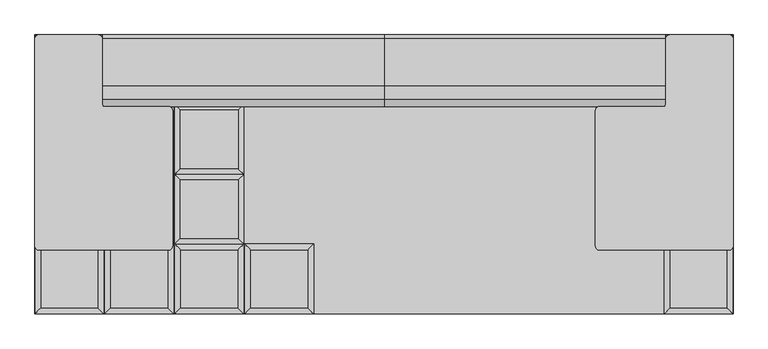
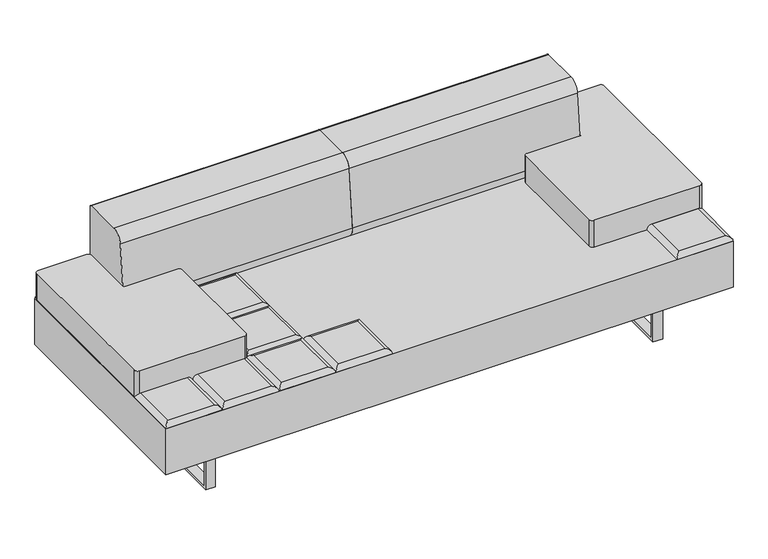
"""IFC4 building model written with IfcOpenShell, lengths in millimetres: furniture geometry."""

from ifc_helpers import new_model, si_unit, point, frame, frame_2d, origin, place, context, project, spatial, polyline, circle_curve, ellipse_curve, trimmed, segment, composite_curve, outline, extrude, source, transform, mapped, element, save
from ifc_brep_helpers import plane_surface, cylinder_surface, advanced_brep


def furniture_55e640db(model_context):
    return source(origin(), model_context, "Body", "SolidModel", [
        advanced_brep(
        [(-223.9433333, -222.25, 393.7), (-241.9038456, -240.2105122, 411.6605122), (-241.9038456, -426.5394878, 411.6605122), (-223.9433333, -444.5, 393.7), (-425.6928211, -426.5394878, 411.6605122), (-443.6533333, -444.5, 393.7), (-425.6928211, -240.2105122, 411.6605122), (-443.6533333, -222.25, 393.7)],
        [
            (0, 1, ellipse_curve(frame((-241.9038456, -240.2105122, 393.7), z_axis=(0.7071067811865475, -0.7071067811865475, 0.0), x_axis=(0.7071067811865474, 0.7071067811865476, 0.0)), 25.4, 17.9605122)),
            (1, 2),
            (2, 3, ellipse_curve(frame((-241.9038456, -426.5394878, 393.7), z_axis=(0.7071067811865475, 0.7071067811865475, 0.0), x_axis=(-0.7071067811865474, 0.7071067811865476, 0.0)), 25.4, 17.9605122)),
            (3, 0),
            (2, 4),
            (4, 5, ellipse_curve(frame((-425.6928211, -426.5394878, 393.7), z_axis=(0.7071067811865475, -0.7071067811865475, 0.0), x_axis=(0.7071067811865476, 0.7071067811865474, 0.0)), 25.4, 17.9605122)),
            (5, 3),
            (4, 6),
            (6, 7, ellipse_curve(frame((-425.6928211, -240.2105122, 393.7), z_axis=(-0.7071067811865475, -0.7071067811865475, 0.0), x_axis=(0.7071067811865474, -0.7071067811865476, 0.0)), 25.4, 17.9605122)),
            (7, 5),
            (0, 7),
            (6, 1),
        ],
        [
            cylinder_surface(frame((-241.9038456, -222.25, 393.7), z_axis=(0.0, 1.0, 0.0), x_axis=(1.0, 0.0, 0.0)), 17.9605122),
            cylinder_surface(frame((-223.9433333, -426.5394878, 393.7), z_axis=(1.0, 0.0, 0.0), x_axis=(0.0, -1.0, 0.0)), 17.9605122),
            cylinder_surface(frame((-425.6928211, -444.5, 393.7), z_axis=(0.0, -1.0, 0.0), x_axis=(-1.0, 0.0, 0.0)), 17.9605122),
            cylinder_surface(frame((-443.6533333, -240.2105122, 393.7), z_axis=(-1.0, 0.0, 0.0), x_axis=(0.0, 1.0, 0.0)), 17.9605122),
            plane_surface(frame((-443.6533333, -222.25, 393.7), z_axis=(0.0, 0.0, -1.0), x_axis=(1.0, 0.0, 0.0))),
            plane_surface(frame((-425.6928211, -240.2105122, 411.6605122), z_axis=(0.0, 0.0, 1.0), x_axis=(-1.0, 0.0, 0.0))),
        ],
        [
            (0, [[1, 2, 3, 4]]),
            (1, [[-3, 5, 6, 7]]),
            (2, [[-6, 8, 9, 10]]),
            (3, [[-1, 11, -9, 12]]),
            (4, [[-4, -7, -10, -11]]),
            (5, [[-2, -12, -8, -5]]),
        ],
    ),
        advanced_brep(
        [(-464.4360678, -204.2894878, 411.6605122), (-464.4360678, -17.9605122, 411.6605122), (-648.2250433, -17.9605122, 411.6605122), (-648.2250433, -204.2894878, 411.6605122), (-446.4755556, 0.0, 393.7), (-446.4755556, -222.25, 393.7), (-666.1855556, -222.25, 393.7), (-666.1855556, 0.0, 393.7)],
        [
            (0, 1),
            (1, 2),
            (2, 3),
            (3, 0),
            (4, 5),
            (5, 6),
            (6, 7),
            (7, 4),
            (4, 1, ellipse_curve(frame((-464.4360678, -17.9605122, 393.7), z_axis=(0.7071067811865475, -0.7071067811865475, 0.0), x_axis=(0.7071067811865474, 0.7071067811865476, 0.0)), 25.4, 17.9605122)),
            (0, 5, ellipse_curve(frame((-464.4360678, -204.2894878, 393.7), z_axis=(0.7071067811865475, 0.7071067811865475, 0.0), x_axis=(-0.7071067811865474, 0.7071067811865476, 0.0)), 25.4, 17.9605122)),
            (3, 6, ellipse_curve(frame((-648.2250433, -204.2894878, 393.7), z_axis=(0.7071067811865475, -0.7071067811865475, 0.0), x_axis=(0.7071067811865476, 0.7071067811865474, 0.0)), 25.4, 17.9605122)),
            (2, 7, ellipse_curve(frame((-648.2250433, -17.9605122, 393.7), z_axis=(-0.7071067811865475, -0.7071067811865475, 0.0), x_axis=(0.7071067811865474, -0.7071067811865476, 0.0)), 25.4, 17.9605122)),
        ],
        [
            plane_surface(frame((-648.2250433, -17.9605122, 411.6605122), z_axis=(0.0, 0.0, 1.0), x_axis=(-1.0, 0.0, 0.0))),
            plane_surface(frame((-648.2250433, -17.9605122, 393.7), z_axis=(0.0, 0.0, -1.0), x_axis=(1.0, 0.0, 0.0))),
            cylinder_surface(frame((-464.4360678, 0.0, 393.7), z_axis=(0.0, 1.0, 0.0), x_axis=(1.0, 0.0, 0.0)), 17.9605122),
            cylinder_surface(frame((-446.4755556, -204.2894878, 393.7), z_axis=(1.0, 0.0, 0.0), x_axis=(0.0, -1.0, 0.0)), 17.9605122),
            cylinder_surface(frame((-648.2250433, -222.25, 393.7), z_axis=(0.0, -1.0, 0.0), x_axis=(-1.0, 0.0, 0.0)), 17.9605122),
            cylinder_surface(frame((-666.1855556, -17.9605122, 393.7), z_axis=(-1.0, 0.0, 0.0), x_axis=(0.0, 1.0, 0.0)), 17.9605122),
        ],
        [
            (0, [[1, 2, 3, 4]]),
            (1, [[5, 6, 7, 8]]),
            (2, [[9, -1, 10, -5]]),
            (3, [[-10, -4, 11, -6]]),
            (4, [[-11, -3, 12, -7]]),
            (5, [[-9, -8, -12, -2]]),
        ],
    ),
        advanced_brep(
        [(-464.4360678, 17.9605122, 411.6605122), (-464.4360678, 204.2894878, 411.6605122), (-648.2250433, 204.2894878, 411.6605122), (-648.2250433, 17.9605122, 411.6605122), (-446.4755556, 222.25, 393.7), (-446.4755556, 0.0, 393.7), (-666.1855556, 0.0, 393.7), (-666.1855556, 222.25, 393.7)],
        [
            (0, 1),
            (1, 2),
            (2, 3),
            (3, 0),
            (4, 5),
            (5, 6),
            (6, 7),
            (7, 4),
            (4, 1, ellipse_curve(frame((-464.4360678, 204.2894878, 393.7), z_axis=(0.7071067811865475, -0.7071067811865475, 0.0), x_axis=(0.7071067811865474, 0.7071067811865476, 0.0)), 25.4, 17.9605122)),
            (0, 5, ellipse_curve(frame((-464.4360678, 17.9605122, 393.7), z_axis=(0.7071067811865475, 0.7071067811865475, 0.0), x_axis=(-0.7071067811865474, 0.7071067811865476, 0.0)), 25.4, 17.9605122)),
            (3, 6, ellipse_curve(frame((-648.2250433, 17.9605122, 393.7), z_axis=(0.7071067811865475, -0.7071067811865475, 0.0), x_axis=(0.7071067811865476, 0.7071067811865474, 0.0)), 25.4, 17.9605122)),
            (2, 7, ellipse_curve(frame((-648.2250433, 204.2894878, 393.7), z_axis=(-0.7071067811865475, -0.7071067811865475, 0.0), x_axis=(0.7071067811865474, -0.7071067811865476, 0.0)), 25.4, 17.9605122)),
        ],
        [
            plane_surface(frame((-648.2250433, 204.2894878, 411.6605122), z_axis=(0.0, 0.0, 1.0), x_axis=(-1.0, 0.0, 0.0))),
            plane_surface(frame((-648.2250433, 204.2894878, 393.7), z_axis=(0.0, 0.0, -1.0), x_axis=(1.0, 0.0, 0.0))),
            cylinder_surface(frame((-464.4360678, 222.25, 393.7), z_axis=(0.0, 1.0, 0.0), x_axis=(1.0, 0.0, 0.0)), 17.9605122),
            cylinder_surface(frame((-446.4755556, 17.9605122, 393.7), z_axis=(1.0, 0.0, 0.0), x_axis=(0.0, -1.0, 0.0)), 17.9605122),
            cylinder_surface(frame((-648.2250433, 0.0, 393.7), z_axis=(0.0, -1.0, 0.0), x_axis=(-1.0, 0.0, 0.0)), 17.9605122),
            cylinder_surface(frame((-666.1855556, 204.2894878, 393.7), z_axis=(-1.0, 0.0, 0.0), x_axis=(0.0, 1.0, 0.0)), 17.9605122),
        ],
        [
            (0, [[1, 2, 3, 4]]),
            (1, [[5, 6, 7, 8]]),
            (2, [[9, -1, 10, -5]]),
            (3, [[-10, -4, 11, -6]]),
            (4, [[-11, -3, 12, -7]]),
            (5, [[-9, -8, -12, -2]]),
        ],
    ),
        advanced_brep(
        [(-464.4360678, 240.2105122, 411.6605122), (-464.4360678, 426.5394878, 411.6605122), (-648.2250433, 426.5394878, 411.6605122), (-648.2250433, 240.2105122, 411.6605122), (-446.4755556, 444.5, 393.7), (-446.4755556, 222.25, 393.7), (-666.1855556, 222.25, 393.7), (-666.1855556, 444.5, 393.7)],
        [
            (0, 1),
            (1, 2),
            (2, 3),
            (3, 0),
            (4, 5),
            (5, 6),
            (6, 7),
            (7, 4),
            (4, 1, ellipse_curve(frame((-464.4360678, 426.5394878, 393.7), z_axis=(0.7071067811865475, -0.7071067811865475, 0.0), x_axis=(0.7071067811865474, 0.7071067811865476, 0.0)), 25.4, 17.9605122)),
            (0, 5, ellipse_curve(frame((-464.4360678, 240.2105122, 393.7), z_axis=(0.7071067811865475, 0.7071067811865475, 0.0), x_axis=(-0.7071067811865474, 0.7071067811865476, 0.0)), 25.4, 17.9605122)),
            (3, 6, ellipse_curve(frame((-648.2250433, 240.2105122, 393.7), z_axis=(0.7071067811865475, -0.7071067811865475, 0.0), x_axis=(0.7071067811865476, 0.7071067811865474, 0.0)), 25.4, 17.9605122)),
            (2, 7, ellipse_curve(frame((-648.2250433, 426.5394878, 393.7), z_axis=(-0.7071067811865475, -0.7071067811865475, 0.0), x_axis=(0.7071067811865474, -0.7071067811865476, 0.0)), 25.4, 17.9605122)),
        ],
        [
            plane_surface(frame((-648.2250433, 426.5394878, 411.6605122), z_axis=(0.0, 0.0, 1.0), x_axis=(-1.0, 0.0, 0.0))),
            plane_surface(frame((-648.2250433, 426.5394878, 393.7), z_axis=(0.0, 0.0, -1.0), x_axis=(1.0, 0.0, 0.0))),
            cylinder_surface(frame((-464.4360678, 444.5, 393.7), z_axis=(0.0, 1.0, 0.0), x_axis=(1.0, 0.0, 0.0)), 17.9605122),
            cylinder_surface(frame((-446.4755556, 240.2105122, 393.7), z_axis=(1.0, 0.0, 0.0), x_axis=(0.0, -1.0, 0.0)), 17.9605122),
            cylinder_surface(frame((-648.2250433, 222.25, 393.7), z_axis=(0.0, -1.0, 0.0), x_axis=(-1.0, 0.0, 0.0)), 17.9605122),
            cylinder_surface(frame((-666.1855556, 426.5394878, 393.7), z_axis=(-1.0, 0.0, 0.0), x_axis=(0.0, 1.0, 0.0)), 17.9605122),
        ],
        [
            (0, [[1, 2, 3, 4]]),
            (1, [[5, 6, 7, 8]]),
            (2, [[9, -1, 10, -5]]),
            (3, [[-10, -4, 11, -6]]),
            (4, [[-11, -3, 12, -7]]),
            (5, [[-9, -8, -12, -2]]),
        ],
    ),
        advanced_brep(
        [(-446.4755556, -222.25, 393.7), (-464.4360678, -240.2105122, 411.6605122), (-464.4360678, -426.5394878, 411.6605122), (-446.4755556, -444.5, 393.7), (-648.2250433, -426.5394878, 411.6605122), (-666.1855556, -444.5, 393.7), (-648.2250433, -240.2105122, 411.6605122), (-666.1855556, -222.25, 393.7)],
        [
            (0, 1, ellipse_curve(frame((-464.4360678, -240.2105122, 393.7), z_axis=(0.7071067811865475, -0.7071067811865475, 0.0), x_axis=(0.7071067811865474, 0.7071067811865476, 0.0)), 25.4, 17.9605122)),
            (1, 2),
            (2, 3, ellipse_curve(frame((-464.4360678, -426.5394878, 393.7), z_axis=(0.7071067811865475, 0.7071067811865475, 0.0), x_axis=(-0.7071067811865474, 0.7071067811865476, 0.0)), 25.4, 17.9605122)),
            (3, 0),
            (2, 4),
            (4, 5, ellipse_curve(frame((-648.2250433, -426.5394878, 393.7), z_axis=(0.7071067811865475, -0.7071067811865475, 0.0), x_axis=(0.7071067811865476, 0.7071067811865474, 0.0)), 25.4, 17.9605122)),
            (5, 3),
            (4, 6),
            (6, 7, ellipse_curve(frame((-648.2250433, -240.2105122, 393.7), z_axis=(-0.7071067811865475, -0.7071067811865475, 0.0), x_axis=(0.7071067811865474, -0.7071067811865476, 0.0)), 25.4, 17.9605122)),
            (7, 5),
            (0, 7),
            (6, 1),
        ],
        [
            cylinder_surface(frame((-464.4360678, -222.25, 393.7), z_axis=(0.0, 1.0, 0.0), x_axis=(1.0, 0.0, 0.0)), 17.9605122),
            cylinder_surface(frame((-446.4755556, -426.5394878, 393.7), z_axis=(1.0, 0.0, 0.0), x_axis=(0.0, -1.0, 0.0)), 17.9605122),
            cylinder_surface(frame((-648.2250433, -444.5, 393.7), z_axis=(0.0, -1.0, 0.0), x_axis=(-1.0, 0.0, 0.0)), 17.9605122),
            cylinder_surface(frame((-666.1855556, -240.2105122, 393.7), z_axis=(-1.0, 0.0, 0.0), x_axis=(0.0, 1.0, 0.0)), 17.9605122),
            plane_surface(frame((-666.1855556, -222.25, 393.7), z_axis=(0.0, 0.0, -1.0), x_axis=(1.0, 0.0, 0.0))),
            plane_surface(frame((-648.2250433, -240.2105122, 411.6605122), z_axis=(0.0, 0.0, 1.0), x_axis=(-1.0, 0.0, 0.0))),
        ],
        [
            (0, [[1, 2, 3, 4]]),
            (1, [[-3, 5, 6, 7]]),
            (2, [[-6, 8, 9, 10]]),
            (3, [[-1, 11, -9, 12]]),
            (4, [[-4, -7, -10, -11]]),
            (5, [[-2, -12, -8, -5]]),
        ],
    ),
        advanced_brep(
        [(-686.96829, -204.2894878, 411.6605122), (-686.96829, -17.9605122, 411.6605122), (-870.7572655, -17.9605122, 411.6605122), (-870.7572655, -204.2894878, 411.6605122), (-669.0077778, 0.0, 393.7), (-669.0077778, -222.25, 393.7), (-888.7177778, -222.25, 393.7), (-888.7177778, 0.0, 393.7)],
        [
            (0, 1),
            (1, 2),
            (2, 3),
            (3, 0),
            (4, 5),
            (5, 6),
            (6, 7),
            (7, 4),
            (4, 1, ellipse_curve(frame((-686.96829, -17.9605122, 393.7), z_axis=(0.7071067811865475, -0.7071067811865475, 0.0), x_axis=(0.7071067811865474, 0.7071067811865476, 0.0)), 25.4, 17.9605122)),
            (0, 5, ellipse_curve(frame((-686.96829, -204.2894878, 393.7), z_axis=(0.7071067811865475, 0.7071067811865475, 0.0), x_axis=(-0.7071067811865474, 0.7071067811865476, 0.0)), 25.4, 17.9605122)),
            (3, 6, ellipse_curve(frame((-870.7572655, -204.2894878, 393.7), z_axis=(0.7071067811865475, -0.7071067811865475, 0.0), x_axis=(0.7071067811865476, 0.7071067811865474, 0.0)), 25.4, 17.9605122)),
            (2, 7, ellipse_curve(frame((-870.7572655, -17.9605122, 393.7), z_axis=(-0.7071067811865475, -0.7071067811865475, 0.0), x_axis=(0.7071067811865474, -0.7071067811865476, 0.0)), 25.4, 17.9605122)),
        ],
        [
            plane_surface(frame((-870.7572655, -17.9605122, 411.6605122), z_axis=(0.0, 0.0, 1.0), x_axis=(-1.0, 0.0, 0.0))),
            plane_surface(frame((-870.7572655, -17.9605122, 393.7), z_axis=(0.0, 0.0, -1.0), x_axis=(1.0, 0.0, 0.0))),
            cylinder_surface(frame((-686.96829, 0.0, 393.7), z_axis=(0.0, 1.0, 0.0), x_axis=(1.0, 0.0, 0.0)), 17.9605122),
            cylinder_surface(frame((-669.0077778, -204.2894878, 393.7), z_axis=(1.0, 0.0, 0.0), x_axis=(0.0, -1.0, 0.0)), 17.9605122),
            cylinder_surface(frame((-870.7572655, -222.25, 393.7), z_axis=(0.0, -1.0, 0.0), x_axis=(-1.0, 0.0, 0.0)), 17.9605122),
            cylinder_surface(frame((-888.7177778, -17.9605122, 393.7), z_axis=(-1.0, 0.0, 0.0), x_axis=(0.0, 1.0, 0.0)), 17.9605122),
        ],
        [
            (0, [[1, 2, 3, 4]]),
            (1, [[5, 6, 7, 8]]),
            (2, [[9, -1, 10, -5]]),
            (3, [[-10, -4, 11, -6]]),
            (4, [[-11, -3, 12, -7]]),
            (5, [[-9, -8, -12, -2]]),
        ],
    ),
        advanced_brep(
        [(-686.96829, 17.9605122, 411.6605122), (-686.96829, 204.2894878, 411.6605122), (-870.7572655, 204.2894878, 411.6605122), (-870.7572655, 17.9605122, 411.6605122), (-669.0077778, 222.25, 393.7), (-669.0077778, 0.0, 393.7), (-888.7177778, 0.0, 393.7), (-888.7177778, 222.25, 393.7)],
        [
            (0, 1),
            (1, 2),
            (2, 3),
            (3, 0),
            (4, 5),
            (5, 6),
            (6, 7),
            (7, 4),
            (4, 1, ellipse_curve(frame((-686.96829, 204.2894878, 393.7), z_axis=(0.7071067811865475, -0.7071067811865475, 0.0), x_axis=(0.7071067811865474, 0.7071067811865476, 0.0)), 25.4, 17.9605122)),
            (0, 5, ellipse_curve(frame((-686.96829, 17.9605122, 393.7), z_axis=(0.7071067811865475, 0.7071067811865475, 0.0), x_axis=(-0.7071067811865474, 0.7071067811865476, 0.0)), 25.4, 17.9605122)),
            (3, 6, ellipse_curve(frame((-870.7572655, 17.9605122, 393.7), z_axis=(0.7071067811865475, -0.7071067811865475, 0.0), x_axis=(0.7071067811865476, 0.7071067811865474, 0.0)), 25.4, 17.9605122)),
            (2, 7, ellipse_curve(frame((-870.7572655, 204.2894878, 393.7), z_axis=(-0.7071067811865475, -0.7071067811865475, 0.0), x_axis=(0.7071067811865474, -0.7071067811865476, 0.0)), 25.4, 17.9605122)),
        ],
        [
            plane_surface(frame((-870.7572655, 204.2894878, 411.6605122), z_axis=(0.0, 0.0, 1.0), x_axis=(-1.0, 0.0, 0.0))),
            plane_surface(frame((-870.7572655, 204.2894878, 393.7), z_axis=(0.0, 0.0, -1.0), x_axis=(1.0, 0.0, 0.0))),
            cylinder_surface(frame((-686.96829, 222.25, 393.7), z_axis=(0.0, 1.0, 0.0), x_axis=(1.0, 0.0, 0.0)), 17.9605122),
            cylinder_surface(frame((-669.0077778, 17.9605122, 393.7), z_axis=(1.0, 0.0, 0.0), x_axis=(0.0, -1.0, 0.0)), 17.9605122),
            cylinder_surface(frame((-870.7572655, 0.0, 393.7), z_axis=(0.0, -1.0, 0.0), x_axis=(-1.0, 0.0, 0.0)), 17.9605122),
            cylinder_surface(frame((-888.7177778, 204.2894878, 393.7), z_axis=(-1.0, 0.0, 0.0), x_axis=(0.0, 1.0, 0.0)), 17.9605122),
        ],
        [
            (0, [[1, 2, 3, 4]]),
            (1, [[5, 6, 7, 8]]),
            (2, [[9, -1, 10, -5]]),
            (3, [[-10, -4, 11, -6]]),
            (4, [[-11, -3, 12, -7]]),
            (5, [[-9, -8, -12, -2]]),
        ],
    ),
        advanced_brep(
        [(-686.96829, 240.2105122, 411.6605122), (-686.96829, 426.5394878, 411.6605122), (-870.7572655, 426.5394878, 411.6605122), (-870.7572655, 240.2105122, 411.6605122), (-669.0077778, 444.5, 393.7), (-669.0077778, 222.25, 393.7), (-888.7177778, 222.25, 393.7), (-888.7177778, 444.5, 393.7)],
        [
            (0, 1),
            (1, 2),
            (2, 3),
            (3, 0),
            (4, 5),
            (5, 6),
            (6, 7),
            (7, 4),
            (4, 1, ellipse_curve(frame((-686.96829, 426.5394878, 393.7), z_axis=(0.7071067811865475, -0.7071067811865475, 0.0), x_axis=(0.7071067811865474, 0.7071067811865476, 0.0)), 25.4, 17.9605122)),
            (0, 5, ellipse_curve(frame((-686.96829, 240.2105122, 393.7), z_axis=(0.7071067811865475, 0.7071067811865475, 0.0), x_axis=(-0.7071067811865474, 0.7071067811865476, 0.0)), 25.4, 17.9605122)),
            (3, 6, ellipse_curve(frame((-870.7572655, 240.2105122, 393.7), z_axis=(0.7071067811865475, -0.7071067811865475, 0.0), x_axis=(0.7071067811865476, 0.7071067811865474, 0.0)), 25.4, 17.9605122)),
            (2, 7, ellipse_curve(frame((-870.7572655, 426.5394878, 393.7), z_axis=(-0.7071067811865475, -0.7071067811865475, 0.0), x_axis=(0.7071067811865474, -0.7071067811865476, 0.0)), 25.4, 17.9605122)),
        ],
        [
            plane_surface(frame((-870.7572655, 426.5394878, 411.6605122), z_axis=(0.0, 0.0, 1.0), x_axis=(-1.0, 0.0, 0.0))),
            plane_surface(frame((-870.7572655, 426.5394878, 393.7), z_axis=(0.0, 0.0, -1.0), x_axis=(1.0, 0.0, 0.0))),
            cylinder_surface(frame((-686.96829, 444.5, 393.7), z_axis=(0.0, 1.0, 0.0), x_axis=(1.0, 0.0, 0.0)), 17.9605122),
            cylinder_surface(frame((-669.0077778, 240.2105122, 393.7), z_axis=(1.0, 0.0, 0.0), x_axis=(0.0, -1.0, 0.0)), 17.9605122),
            cylinder_surface(frame((-870.7572655, 222.25, 393.7), z_axis=(0.0, -1.0, 0.0), x_axis=(-1.0, 0.0, 0.0)), 17.9605122),
            cylinder_surface(frame((-888.7177778, 426.5394878, 393.7), z_axis=(-1.0, 0.0, 0.0), x_axis=(0.0, 1.0, 0.0)), 17.9605122),
        ],
        [
            (0, [[1, 2, 3, 4]]),
            (1, [[5, 6, 7, 8]]),
            (2, [[9, -1, 10, -5]]),
            (3, [[-10, -4, 11, -6]]),
            (4, [[-11, -3, 12, -7]]),
            (5, [[-9, -8, -12, -2]]),
        ],
    ),
        advanced_brep(
        [(-669.0077778, -222.25, 393.7), (-686.96829, -240.2105122, 411.6605122), (-686.96829, -426.5394878, 411.6605122), (-669.0077778, -444.5, 393.7), (-870.7572655, -426.5394878, 411.6605122), (-888.7177778, -444.5, 393.7), (-870.7572655, -240.2105122, 411.6605122), (-888.7177778, -222.25, 393.7)],
        [
            (0, 1, ellipse_curve(frame((-686.96829, -240.2105122, 393.7), z_axis=(0.7071067811865475, -0.7071067811865475, 0.0), x_axis=(0.7071067811865474, 0.7071067811865476, 0.0)), 25.4, 17.9605122)),
            (1, 2),
            (2, 3, ellipse_curve(frame((-686.96829, -426.5394878, 393.7), z_axis=(0.7071067811865475, 0.7071067811865475, 0.0), x_axis=(-0.7071067811865474, 0.7071067811865476, 0.0)), 25.4, 17.9605122)),
            (3, 0),
            (2, 4),
            (4, 5, ellipse_curve(frame((-870.7572655, -426.5394878, 393.7), z_axis=(0.7071067811865475, -0.7071067811865475, 0.0), x_axis=(0.7071067811865476, 0.7071067811865474, 0.0)), 25.4, 17.9605122)),
            (5, 3),
            (4, 6),
            (6, 7, ellipse_curve(frame((-870.7572655, -240.2105122, 393.7), z_axis=(-0.7071067811865475, -0.7071067811865475, 0.0), x_axis=(0.7071067811865474, -0.7071067811865476, 0.0)), 25.4, 17.9605122)),
            (7, 5),
            (0, 7),
            (6, 1),
        ],
        [
            cylinder_surface(frame((-686.96829, -222.25, 393.7), z_axis=(0.0, 1.0, 0.0), x_axis=(1.0, 0.0, 0.0)), 17.9605122),
            cylinder_surface(frame((-669.0077778, -426.5394878, 393.7), z_axis=(1.0, 0.0, 0.0), x_axis=(0.0, -1.0, 0.0)), 17.9605122),
            cylinder_surface(frame((-870.7572655, -444.5, 393.7), z_axis=(0.0, -1.0, 0.0), x_axis=(-1.0, 0.0, 0.0)), 17.9605122),
            cylinder_surface(frame((-888.7177778, -240.2105122, 393.7), z_axis=(-1.0, 0.0, 0.0), x_axis=(0.0, 1.0, 0.0)), 17.9605122),
            plane_surface(frame((-888.7177778, -222.25, 393.7), z_axis=(0.0, 0.0, -1.0), x_axis=(1.0, 0.0, 0.0))),
            plane_surface(frame((-870.7572655, -240.2105122, 411.6605122), z_axis=(0.0, 0.0, 1.0), x_axis=(-1.0, 0.0, 0.0))),
        ],
        [
            (0, [[1, 2, 3, 4]]),
            (1, [[-3, 5, 6, 7]]),
            (2, [[-6, 8, 9, 10]]),
            (3, [[-1, 11, -9, 12]]),
            (4, [[-4, -7, -10, -11]]),
            (5, [[-2, -12, -8, -5]]),
        ],
    ),
        advanced_brep(
        [(1093.2894878, -204.2894878, 411.6605122), (1093.2894878, -17.9605122, 411.6605122), (909.5005122, -17.9605122, 411.6605122), (909.5005122, -204.2894878, 411.6605122), (1111.25, 0.0, 393.7), (1111.25, -222.25, 393.7), (891.54, -222.25, 393.7), (891.54, 0.0, 393.7)],
        [
            (0, 1),
            (1, 2),
            (2, 3),
            (3, 0),
            (4, 5),
            (5, 6),
            (6, 7),
            (7, 4),
            (4, 1, ellipse_curve(frame((1093.2894878, -17.9605122, 393.7), z_axis=(0.7071067811865475, -0.7071067811865475, 0.0), x_axis=(0.7071067811865474, 0.7071067811865476, 0.0)), 25.4, 17.9605122)),
            (0, 5, ellipse_curve(frame((1093.2894878, -204.2894878, 393.7), z_axis=(0.7071067811865475, 0.7071067811865475, 0.0), x_axis=(-0.7071067811865474, 0.7071067811865476, 0.0)), 25.4, 17.9605122)),
            (3, 6, ellipse_curve(frame((909.5005122, -204.2894878, 393.7), z_axis=(0.7071067811865475, -0.7071067811865475, 0.0), x_axis=(0.7071067811865476, 0.7071067811865474, 0.0)), 25.4, 17.9605122)),
            (2, 7, ellipse_curve(frame((909.5005122, -17.9605122, 393.7), z_axis=(-0.7071067811865475, -0.7071067811865475, 0.0), x_axis=(0.7071067811865474, -0.7071067811865476, 0.0)), 25.4, 17.9605122)),
        ],
        [
            plane_surface(frame((909.5005122, -17.9605122, 411.6605122), z_axis=(0.0, 0.0, 1.0), x_axis=(-1.0, 0.0, 0.0))),
            plane_surface(frame((909.5005122, -17.9605122, 393.7), z_axis=(0.0, 0.0, -1.0), x_axis=(1.0, 0.0, 0.0))),
            cylinder_surface(frame((1093.2894878, 0.0, 393.7), z_axis=(0.0, 1.0, 0.0), x_axis=(1.0, 0.0, 0.0)), 17.9605122),
            cylinder_surface(frame((1111.25, -204.2894878, 393.7), z_axis=(1.0, 0.0, 0.0), x_axis=(0.0, -1.0, 0.0)), 17.9605122),
            cylinder_surface(frame((909.5005122, -222.25, 393.7), z_axis=(0.0, -1.0, 0.0), x_axis=(-1.0, 0.0, 0.0)), 17.9605122),
            cylinder_surface(frame((891.54, -17.9605122, 393.7), z_axis=(-1.0, 0.0, 0.0), x_axis=(0.0, 1.0, 0.0)), 17.9605122),
        ],
        [
            (0, [[1, 2, 3, 4]]),
            (1, [[5, 6, 7, 8]]),
            (2, [[9, -1, 10, -5]]),
            (3, [[-10, -4, 11, -6]]),
            (4, [[-11, -3, 12, -7]]),
            (5, [[-9, -8, -12, -2]]),
        ],
    ),
        advanced_brep(
        [(1093.2894878, 17.9605122, 411.6605122), (1093.2894878, 204.2894878, 411.6605122), (909.5005122, 204.2894878, 411.6605122), (909.5005122, 17.9605122, 411.6605122), (1111.25, 222.25, 393.7), (1111.25, 0.0, 393.7), (891.54, 0.0, 393.7), (891.54, 222.25, 393.7)],
        [
            (0, 1),
            (1, 2),
            (2, 3),
            (3, 0),
            (4, 5),
            (5, 6),
            (6, 7),
            (7, 4),
            (4, 1, ellipse_curve(frame((1093.2894878, 204.2894878, 393.7), z_axis=(0.7071067811865475, -0.7071067811865475, 0.0), x_axis=(0.7071067811865474, 0.7071067811865476, 0.0)), 25.4, 17.9605122)),
            (0, 5, ellipse_curve(frame((1093.2894878, 17.9605122, 393.7), z_axis=(0.7071067811865475, 0.7071067811865475, 0.0), x_axis=(-0.7071067811865474, 0.7071067811865476, 0.0)), 25.4, 17.9605122)),
            (3, 6, ellipse_curve(frame((909.5005122, 17.9605122, 393.7), z_axis=(0.7071067811865475, -0.7071067811865475, 0.0), x_axis=(0.7071067811865476, 0.7071067811865474, 0.0)), 25.4, 17.9605122)),
            (2, 7, ellipse_curve(frame((909.5005122, 204.2894878, 393.7), z_axis=(-0.7071067811865475, -0.7071067811865475, 0.0), x_axis=(0.7071067811865474, -0.7071067811865476, 0.0)), 25.4, 17.9605122)),
        ],
        [
            plane_surface(frame((909.5005122, 204.2894878, 411.6605122), z_axis=(0.0, 0.0, 1.0), x_axis=(-1.0, 0.0, 0.0))),
            plane_surface(frame((909.5005122, 204.2894878, 393.7), z_axis=(0.0, 0.0, -1.0), x_axis=(1.0, 0.0, 0.0))),
            cylinder_surface(frame((1093.2894878, 222.25, 393.7), z_axis=(0.0, 1.0, 0.0), x_axis=(1.0, 0.0, 0.0)), 17.9605122),
            cylinder_surface(frame((1111.25, 17.9605122, 393.7), z_axis=(1.0, 0.0, 0.0), x_axis=(0.0, -1.0, 0.0)), 17.9605122),
            cylinder_surface(frame((909.5005122, 0.0, 393.7), z_axis=(0.0, -1.0, 0.0), x_axis=(-1.0, 0.0, 0.0)), 17.9605122),
            cylinder_surface(frame((891.54, 204.2894878, 393.7), z_axis=(-1.0, 0.0, 0.0), x_axis=(0.0, 1.0, 0.0)), 17.9605122),
        ],
        [
            (0, [[1, 2, 3, 4]]),
            (1, [[5, 6, 7, 8]]),
            (2, [[9, -1, 10, -5]]),
            (3, [[-10, -4, 11, -6]]),
            (4, [[-11, -3, 12, -7]]),
            (5, [[-9, -8, -12, -2]]),
        ],
    ),
        advanced_brep(
        [(1093.2894878, 240.2105122, 411.6605122), (1093.2894878, 426.5394878, 411.6605122), (909.5005122, 426.5394878, 411.6605122), (909.5005122, 240.2105122, 411.6605122), (1111.25, 444.5, 393.7), (1111.25, 222.25, 393.7), (891.54, 222.25, 393.7), (891.54, 444.5, 393.7)],
        [
            (0, 1),
            (1, 2),
            (2, 3),
            (3, 0),
            (4, 5),
            (5, 6),
            (6, 7),
            (7, 4),
            (4, 1, ellipse_curve(frame((1093.2894878, 426.5394878, 393.7), z_axis=(0.7071067811865475, -0.7071067811865475, 0.0), x_axis=(0.7071067811865474, 0.7071067811865476, 0.0)), 25.4, 17.9605122)),
            (0, 5, ellipse_curve(frame((1093.2894878, 240.2105122, 393.7), z_axis=(0.7071067811865475, 0.7071067811865475, 0.0), x_axis=(-0.7071067811865474, 0.7071067811865476, 0.0)), 25.4, 17.9605122)),
            (3, 6, ellipse_curve(frame((909.5005122, 240.2105122, 393.7), z_axis=(0.7071067811865475, -0.7071067811865475, 0.0), x_axis=(0.7071067811865476, 0.7071067811865474, 0.0)), 25.4, 17.9605122)),
            (2, 7, ellipse_curve(frame((909.5005122, 426.5394878, 393.7), z_axis=(-0.7071067811865475, -0.7071067811865475, 0.0), x_axis=(0.7071067811865474, -0.7071067811865476, 0.0)), 25.4, 17.9605122)),
        ],
        [
            plane_surface(frame((909.5005122, 426.5394878, 411.6605122), z_axis=(0.0, 0.0, 1.0), x_axis=(-1.0, 0.0, 0.0))),
            plane_surface(frame((909.5005122, 426.5394878, 393.7), z_axis=(0.0, 0.0, -1.0), x_axis=(1.0, 0.0, 0.0))),
            cylinder_surface(frame((1093.2894878, 444.5, 393.7), z_axis=(0.0, 1.0, 0.0), x_axis=(1.0, 0.0, 0.0)), 17.9605122),
            cylinder_surface(frame((1111.25, 240.2105122, 393.7), z_axis=(1.0, 0.0, 0.0), x_axis=(0.0, -1.0, 0.0)), 17.9605122),
            cylinder_surface(frame((909.5005122, 222.25, 393.7), z_axis=(0.0, -1.0, 0.0), x_axis=(-1.0, 0.0, 0.0)), 17.9605122),
            cylinder_surface(frame((891.54, 426.5394878, 393.7), z_axis=(-1.0, 0.0, 0.0), x_axis=(0.0, 1.0, 0.0)), 17.9605122),
        ],
        [
            (0, [[1, 2, 3, 4]]),
            (1, [[5, 6, 7, 8]]),
            (2, [[9, -1, 10, -5]]),
            (3, [[-10, -4, 11, -6]]),
            (4, [[-11, -3, 12, -7]]),
            (5, [[-9, -8, -12, -2]]),
        ],
    ),
        advanced_brep(
        [(1111.25, -222.25, 393.7), (1093.2894878, -240.2105122, 411.6605122), (1093.2894878, -426.5394878, 411.6605122), (1111.25, -444.5, 393.7), (909.5005122, -426.5394878, 411.6605122), (891.54, -444.5, 393.7), (909.5005122, -240.2105122, 411.6605122), (891.54, -222.25, 393.7)],
        [
            (0, 1, ellipse_curve(frame((1093.2894878, -240.2105122, 393.7), z_axis=(0.7071067811865475, -0.7071067811865475, 0.0), x_axis=(0.7071067811865474, 0.7071067811865476, 0.0)), 25.4, 17.9605122)),
            (1, 2),
            (2, 3, ellipse_curve(frame((1093.2894878, -426.5394878, 393.7), z_axis=(0.7071067811865475, 0.7071067811865475, 0.0), x_axis=(-0.7071067811865474, 0.7071067811865476, 0.0)), 25.4, 17.9605122)),
            (3, 0),
            (2, 4),
            (4, 5, ellipse_curve(frame((909.5005122, -426.5394878, 393.7), z_axis=(0.7071067811865475, -0.7071067811865475, 0.0), x_axis=(0.7071067811865476, 0.7071067811865474, 0.0)), 25.4, 17.9605122)),
            (5, 3),
            (4, 6),
            (6, 7, ellipse_curve(frame((909.5005122, -240.2105122, 393.7), z_axis=(-0.7071067811865475, -0.7071067811865475, 0.0), x_axis=(0.7071067811865474, -0.7071067811865476, 0.0)), 25.4, 17.9605122)),
            (7, 5),
            (0, 7),
            (6, 1),
        ],
        [
            cylinder_surface(frame((1093.2894878, -222.25, 393.7), z_axis=(0.0, 1.0, 0.0), x_axis=(1.0, 0.0, 0.0)), 17.9605122),
            cylinder_surface(frame((1111.25, -426.5394878, 393.7), z_axis=(1.0, 0.0, 0.0), x_axis=(0.0, -1.0, 0.0)), 17.9605122),
            cylinder_surface(frame((909.5005122, -444.5, 393.7), z_axis=(0.0, -1.0, 0.0), x_axis=(-1.0, 0.0, 0.0)), 17.9605122),
            cylinder_surface(frame((891.54, -240.2105122, 393.7), z_axis=(-1.0, 0.0, 0.0), x_axis=(0.0, 1.0, 0.0)), 17.9605122),
            plane_surface(frame((891.54, -222.25, 393.7), z_axis=(0.0, 0.0, -1.0), x_axis=(1.0, 0.0, 0.0))),
            plane_surface(frame((909.5005122, -240.2105122, 411.6605122), z_axis=(0.0, 0.0, 1.0), x_axis=(-1.0, 0.0, 0.0))),
        ],
        [
            (0, [[1, 2, 3, 4]]),
            (1, [[-3, 5, 6, 7]]),
            (2, [[-6, 8, 9, 10]]),
            (3, [[-1, 11, -9, 12]]),
            (4, [[-4, -7, -10, -11]]),
            (5, [[-2, -12, -8, -5]]),
        ],
    ),
        advanced_brep(
        [(-909.5005122, -204.2894878, 411.6605122), (-909.5005122, -17.9605122, 411.6605122), (-1093.2894878, -17.9605122, 411.6605122), (-1093.2894878, -204.2894878, 411.6605122), (-891.54, 0.0, 393.7), (-891.54, -222.25, 393.7), (-1111.25, -222.25, 393.7), (-1111.25, 0.0, 393.7)],
        [
            (0, 1),
            (1, 2),
            (2, 3),
            (3, 0),
            (4, 5),
            (5, 6),
            (6, 7),
            (7, 4),
            (4, 1, ellipse_curve(frame((-909.5005122, -17.9605122, 393.7), z_axis=(0.7071067811865475, -0.7071067811865475, 0.0), x_axis=(0.7071067811865474, 0.7071067811865476, 0.0)), 25.4, 17.9605122)),
            (0, 5, ellipse_curve(frame((-909.5005122, -204.2894878, 393.7), z_axis=(0.7071067811865475, 0.7071067811865475, 0.0), x_axis=(-0.7071067811865474, 0.7071067811865476, 0.0)), 25.4, 17.9605122)),
            (3, 6, ellipse_curve(frame((-1093.2894878, -204.2894878, 393.7), z_axis=(0.7071067811865475, -0.7071067811865475, 0.0), x_axis=(0.7071067811865476, 0.7071067811865474, 0.0)), 25.4, 17.9605122)),
            (2, 7, ellipse_curve(frame((-1093.2894878, -17.9605122, 393.7), z_axis=(-0.7071067811865475, -0.7071067811865475, 0.0), x_axis=(0.7071067811865474, -0.7071067811865476, 0.0)), 25.4, 17.9605122)),
        ],
        [
            plane_surface(frame((-1093.2894878, -17.9605122, 411.6605122), z_axis=(0.0, 0.0, 1.0), x_axis=(-1.0, 0.0, 0.0))),
            plane_surface(frame((-1093.2894878, -17.9605122, 393.7), z_axis=(0.0, 0.0, -1.0), x_axis=(1.0, 0.0, 0.0))),
            cylinder_surface(frame((-909.5005122, 0.0, 393.7), z_axis=(0.0, 1.0, 0.0), x_axis=(1.0, 0.0, 0.0)), 17.9605122),
            cylinder_surface(frame((-891.54, -204.2894878, 393.7), z_axis=(1.0, 0.0, 0.0), x_axis=(0.0, -1.0, 0.0)), 17.9605122),
            cylinder_surface(frame((-1093.2894878, -222.25, 393.7), z_axis=(0.0, -1.0, 0.0), x_axis=(-1.0, 0.0, 0.0)), 17.9605122),
            cylinder_surface(frame((-1111.25, -17.9605122, 393.7), z_axis=(-1.0, 0.0, 0.0), x_axis=(0.0, 1.0, 0.0)), 17.9605122),
        ],
        [
            (0, [[1, 2, 3, 4]]),
            (1, [[5, 6, 7, 8]]),
            (2, [[9, -1, 10, -5]]),
            (3, [[-10, -4, 11, -6]]),
            (4, [[-11, -3, 12, -7]]),
            (5, [[-9, -8, -12, -2]]),
        ],
    ),
        advanced_brep(
        [(-909.5005122, 17.9605122, 411.6605122), (-909.5005122, 204.2894878, 411.6605122), (-1093.2894878, 204.2894878, 411.6605122), (-1093.2894878, 17.9605122, 411.6605122), (-891.54, 222.25, 393.7), (-891.54, 0.0, 393.7), (-1111.25, 0.0, 393.7), (-1111.25, 222.25, 393.7)],
        [
            (0, 1),
            (1, 2),
            (2, 3),
            (3, 0),
            (4, 5),
            (5, 6),
            (6, 7),
            (7, 4),
            (4, 1, ellipse_curve(frame((-909.5005122, 204.2894878, 393.7), z_axis=(0.7071067811865475, -0.7071067811865475, 0.0), x_axis=(0.7071067811865474, 0.7071067811865476, 0.0)), 25.4, 17.9605122)),
            (0, 5, ellipse_curve(frame((-909.5005122, 17.9605122, 393.7), z_axis=(0.7071067811865475, 0.7071067811865475, 0.0), x_axis=(-0.7071067811865474, 0.7071067811865476, 0.0)), 25.4, 17.9605122)),
            (3, 6, ellipse_curve(frame((-1093.2894878, 17.9605122, 393.7), z_axis=(0.7071067811865475, -0.7071067811865475, 0.0), x_axis=(0.7071067811865476, 0.7071067811865474, 0.0)), 25.4, 17.9605122)),
            (2, 7, ellipse_curve(frame((-1093.2894878, 204.2894878, 393.7), z_axis=(-0.7071067811865475, -0.7071067811865475, 0.0), x_axis=(0.7071067811865474, -0.7071067811865476, 0.0)), 25.4, 17.9605122)),
        ],
        [
            plane_surface(frame((-1093.2894878, 204.2894878, 411.6605122), z_axis=(0.0, 0.0, 1.0), x_axis=(-1.0, 0.0, 0.0))),
            plane_surface(frame((-1093.2894878, 204.2894878, 393.7), z_axis=(0.0, 0.0, -1.0), x_axis=(1.0, 0.0, 0.0))),
            cylinder_surface(frame((-909.5005122, 222.25, 393.7), z_axis=(0.0, 1.0, 0.0), x_axis=(1.0, 0.0, 0.0)), 17.9605122),
            cylinder_surface(frame((-891.54, 17.9605122, 393.7), z_axis=(1.0, 0.0, 0.0), x_axis=(0.0, -1.0, 0.0)), 17.9605122),
            cylinder_surface(frame((-1093.2894878, 0.0, 393.7), z_axis=(0.0, -1.0, 0.0), x_axis=(-1.0, 0.0, 0.0)), 17.9605122),
            cylinder_surface(frame((-1111.25, 204.2894878, 393.7), z_axis=(-1.0, 0.0, 0.0), x_axis=(0.0, 1.0, 0.0)), 17.9605122),
        ],
        [
            (0, [[1, 2, 3, 4]]),
            (1, [[5, 6, 7, 8]]),
            (2, [[9, -1, 10, -5]]),
            (3, [[-10, -4, 11, -6]]),
            (4, [[-11, -3, 12, -7]]),
            (5, [[-9, -8, -12, -2]]),
        ],
    ),
        advanced_brep(
        [(-909.5005122, 240.2105122, 411.6605122), (-909.5005122, 426.5394878, 411.6605122), (-1093.2894878, 426.5394878, 411.6605122), (-1093.2894878, 240.2105122, 411.6605122), (-891.54, 444.5, 393.7), (-891.54, 222.25, 393.7), (-1111.25, 222.25, 393.7), (-1111.25, 444.5, 393.7)],
        [
            (0, 1),
            (1, 2),
            (2, 3),
            (3, 0),
            (4, 5),
            (5, 6),
            (6, 7),
            (7, 4),
            (4, 1, ellipse_curve(frame((-909.5005122, 426.5394878, 393.7), z_axis=(0.7071067811865475, -0.7071067811865475, 0.0), x_axis=(0.7071067811865474, 0.7071067811865476, 0.0)), 25.4, 17.9605122)),
            (0, 5, ellipse_curve(frame((-909.5005122, 240.2105122, 393.7), z_axis=(0.7071067811865475, 0.7071067811865475, 0.0), x_axis=(-0.7071067811865474, 0.7071067811865476, 0.0)), 25.4, 17.9605122)),
            (3, 6, ellipse_curve(frame((-1093.2894878, 240.2105122, 393.7), z_axis=(0.7071067811865475, -0.7071067811865475, 0.0), x_axis=(0.7071067811865476, 0.7071067811865474, 0.0)), 25.4, 17.9605122)),
            (2, 7, ellipse_curve(frame((-1093.2894878, 426.5394878, 393.7), z_axis=(-0.7071067811865475, -0.7071067811865475, 0.0), x_axis=(0.7071067811865474, -0.7071067811865476, 0.0)), 25.4, 17.9605122)),
        ],
        [
            plane_surface(frame((-1093.2894878, 426.5394878, 411.6605122), z_axis=(0.0, 0.0, 1.0), x_axis=(-1.0, 0.0, 0.0))),
            plane_surface(frame((-1093.2894878, 426.5394878, 393.7), z_axis=(0.0, 0.0, -1.0), x_axis=(1.0, 0.0, 0.0))),
            cylinder_surface(frame((-909.5005122, 444.5, 393.7), z_axis=(0.0, 1.0, 0.0), x_axis=(1.0, 0.0, 0.0)), 17.9605122),
            cylinder_surface(frame((-891.54, 240.2105122, 393.7), z_axis=(1.0, 0.0, 0.0), x_axis=(0.0, -1.0, 0.0)), 17.9605122),
            cylinder_surface(frame((-1093.2894878, 222.25, 393.7), z_axis=(0.0, -1.0, 0.0), x_axis=(-1.0, 0.0, 0.0)), 17.9605122),
            cylinder_surface(frame((-1111.25, 426.5394878, 393.7), z_axis=(-1.0, 0.0, 0.0), x_axis=(0.0, 1.0, 0.0)), 17.9605122),
        ],
        [
            (0, [[1, 2, 3, 4]]),
            (1, [[5, 6, 7, 8]]),
            (2, [[9, -1, 10, -5]]),
            (3, [[-10, -4, 11, -6]]),
            (4, [[-11, -3, 12, -7]]),
            (5, [[-9, -8, -12, -2]]),
        ],
    ),
        advanced_brep(
        [(-891.54, -222.25, 393.7), (-909.5005122, -240.2105122, 411.6605122), (-909.5005122, -426.5394878, 411.6605122), (-891.54, -444.5, 393.7), (-1093.2894878, -426.5394878, 411.6605122), (-1111.25, -444.5, 393.7), (-1093.2894878, -240.2105122, 411.6605122), (-1111.25, -222.25, 393.7)],
        [
            (0, 1, ellipse_curve(frame((-909.5005122, -240.2105122, 393.7), z_axis=(0.7071067811865475, -0.7071067811865475, 0.0), x_axis=(0.7071067811865474, 0.7071067811865476, 0.0)), 25.4, 17.9605122)),
            (1, 2),
            (2, 3, ellipse_curve(frame((-909.5005122, -426.5394878, 393.7), z_axis=(0.7071067811865475, 0.7071067811865475, 0.0), x_axis=(-0.7071067811865474, 0.7071067811865476, 0.0)), 25.4, 17.9605122)),
            (3, 0),
            (2, 4),
            (4, 5, ellipse_curve(frame((-1093.2894878, -426.5394878, 393.7), z_axis=(0.7071067811865475, -0.7071067811865475, 0.0), x_axis=(0.7071067811865476, 0.7071067811865474, 0.0)), 25.4, 17.9605122)),
            (5, 3),
            (4, 6),
            (6, 7, ellipse_curve(frame((-1093.2894878, -240.2105122, 393.7), z_axis=(-0.7071067811865475, -0.7071067811865475, 0.0), x_axis=(0.7071067811865474, -0.7071067811865476, 0.0)), 25.4, 17.9605122)),
            (7, 5),
            (0, 7),
            (6, 1),
        ],
        [
            cylinder_surface(frame((-909.5005122, -222.25, 393.7), z_axis=(0.0, 1.0, 0.0), x_axis=(1.0, 0.0, 0.0)), 17.9605122),
            cylinder_surface(frame((-891.54, -426.5394878, 393.7), z_axis=(1.0, 0.0, 0.0), x_axis=(0.0, -1.0, 0.0)), 17.9605122),
            cylinder_surface(frame((-1093.2894878, -444.5, 393.7), z_axis=(0.0, -1.0, 0.0), x_axis=(-1.0, 0.0, 0.0)), 17.9605122),
            cylinder_surface(frame((-1111.25, -240.2105122, 393.7), z_axis=(-1.0, 0.0, 0.0), x_axis=(0.0, 1.0, 0.0)), 17.9605122),
            plane_surface(frame((-1111.25, -222.25, 393.7), z_axis=(0.0, 0.0, -1.0), x_axis=(1.0, 0.0, 0.0))),
            plane_surface(frame((-1093.2894878, -240.2105122, 411.6605122), z_axis=(0.0, 0.0, 1.0), x_axis=(-1.0, 0.0, 0.0))),
        ],
        [
            (0, [[1, 2, 3, 4]]),
            (1, [[-3, 5, 6, 7]]),
            (2, [[-6, 8, 9, 10]]),
            (3, [[-1, 11, -9, 12]]),
            (4, [[-4, -7, -10, -11]]),
            (5, [[-2, -12, -8, -5]]),
        ],
    ),
        extrude(outline(polyline([(-339.4724839, 0.0), (-339.4724839, 203.2), (341.6588694, 203.2), (341.6588694, 0.0), (-339.4724839, 0.0)]), holes=[polyline([(-326.7724839, 190.5), (-326.7724839, 12.7), (328.9588694, 12.7), (328.9588694, 190.5), (-326.7724839, 190.5)])]), frame((-895.35, 0.0, 0.0), z_axis=(1.0, 0.0, 0.0), x_axis=(0.0, 1.0, 0.0)), (0.0, 0.0, 1.0), 38.0999535),
        extrude(outline(polyline([(-339.4724839, 203.2), (341.6588694, 203.2), (341.6588694, 0.0), (-339.4724839, 0.0), (-339.4724839, 203.2)]), holes=[polyline([(-326.7724839, 12.7), (328.9588694, 12.7), (328.9588694, 190.5), (-326.7724839, 190.5), (-326.7724839, 12.7)])]), frame((857.2500465, 0.0, 0.0), z_axis=(1.0, 0.0, 0.0), x_axis=(0.0, 1.0, 0.0)), (0.0, 0.0, 1.0), 38.0999535),
        extrude(outline(polyline([(1111.25, 444.5), (1111.25, -444.5), (-1111.25, -444.5), (-1111.25, 444.5), (1111.25, 444.5)])), frame((0.0, 0.0, 203.2), z_axis=(0.0, 0.0, 1.0), x_axis=(1.0, 0.0, 0.0)), (0.0, 0.0, 1.0), 190.5),
        extrude(outline(composite_curve([segment(trimmed(circle_curve(frame_2d((1098.6204079, -228.6704079)), 12.6295921), [point((1111.25, -228.6704079))], [point((1098.6204079, -241.3))], False, "CARTESIAN"), True, "CONTINUOUS"), segment(polyline([(1098.6204079, -241.3), (685.4583894, -241.3)]), True, "CONTINUOUS"), segment(trimmed(circle_curve(frame_2d((685.4583894, -228.8858225)), 12.4141775), [point((685.4583894, -241.3))], [point((673.0442118, -228.8858225))], False, "CARTESIAN"), True, "CONTINUOUS"), segment(polyline([(673.0442118, -228.8858225), (673.0442118, 203.749728)]), True, "CONTINUOUS"), segment(trimmed(circle_curve(frame_2d((684.5998743, 203.749728)), 11.5556624), [point((673.0442118, 203.749728))], [point((684.5998743, 215.3053904))], False, "CARTESIAN"), True, "CONTINUOUS"), segment(polyline([(684.5998743, 215.3053904), (884.4611124, 215.3053904)]), True, "CONTINUOUS"), segment(trimmed(circle_curve(frame_2d((887.4371166, 235.7890089)), 20.6986769), [point((884.4611124, 215.3053904))], [point((895.35, 216.6625481))], True, "CARTESIAN"), True, "CONTINUOUS"), segment(polyline([(895.35, 216.6625481), (895.35, 429.5025683)]), True, "CONTINUOUS"), segment(trimmed(circle_curve(frame_2d((910.3474317, 429.5025683)), 14.9974317), [point((895.35, 429.5025683))], [point((910.3474317, 444.5))], False, "CARTESIAN"), True, "CONTINUOUS"), segment(polyline([(910.3474317, 444.5), (1098.563411, 444.5)]), True, "CONTINUOUS"), segment(trimmed(circle_curve(frame_2d((1098.563411, 431.813411)), 12.686589), [point((1098.563411, 444.5))], [point((1111.25, 431.813411))], False, "CARTESIAN"), True, "CONTINUOUS"), segment(polyline([(1111.25, 431.813411), (1111.25, -228.6704079)]), True, "CONTINUOUS")], self_intersect=False)), frame((0.0, 0.0, 393.7), z_axis=(0.0, 0.0, 1.0), x_axis=(1.0, 0.0, 0.0)), (0.0, 0.0, 1.0), 111.7620251),
        extrude(outline(composite_curve([segment(polyline([(444.5, 393.7), (232.6067514, 393.7)]), True, "CONTINUOUS"), segment(trimmed(circle_curve(frame_2d((263.4189927, 430.9463408)), 48.3392606), [point((232.6067514, 393.7))], [point((215.3053904, 435.6116811))], False, "CARTESIAN"), True, "CONTINUOUS"), segment(polyline([(215.3053904, 435.6116811), (237.9512344, 669.1580194)]), True, "CONTINUOUS"), segment(trimmed(circle_curve(frame_2d((282.1937319, 664.8680412)), 44.45), [point((237.9512344, 669.1580194))], [point((282.1937319, 709.3180412))], False, "CARTESIAN"), True, "CONTINUOUS"), segment(polyline([(282.1937319, 709.3180412), (434.544558, 709.3180412)]), True, "CONTINUOUS"), segment(trimmed(circle_curve(frame_2d((434.544558, 699.3625993)), 9.955442), [point((434.544558, 709.3180412))], [point((444.5, 699.3625993))], False, "CARTESIAN"), True, "CONTINUOUS"), segment(polyline([(444.5, 699.3625993), (444.5, 393.7)]), True, "CONTINUOUS")], self_intersect=False)), frame((-895.35, 0.0, 0.0), z_axis=(1.0, 0.0, 0.0), x_axis=(0.0, 1.0, 0.0)), (0.0, 0.0, 1.0), 895.35),
        extrude(outline(composite_curve([segment(polyline([(-1111.25, -228.6704079), (-1111.25, 431.813411)]), True, "CONTINUOUS"), segment(trimmed(circle_curve(frame_2d((-1098.563411, 431.813411)), 12.686589), [point((-1111.25, 431.813411))], [point((-1098.563411, 444.5))], False, "CARTESIAN"), True, "CONTINUOUS"), segment(polyline([(-1098.563411, 444.5), (-910.3474317, 444.5)]), True, "CONTINUOUS"), segment(trimmed(circle_curve(frame_2d((-910.3474317, 429.5025683)), 14.9974317), [point((-910.3474317, 444.5))], [point((-895.35, 429.5025683))], False, "CARTESIAN"), True, "CONTINUOUS"), segment(polyline([(-895.35, 429.5025683), (-895.35, 216.6625481)]), True, "CONTINUOUS"), segment(trimmed(circle_curve(frame_2d((-887.4371166, 235.7890089)), 20.6986769), [point((-895.35, 216.6625481))], [point((-884.4611124, 215.3053904))], True, "CARTESIAN"), True, "CONTINUOUS"), segment(polyline([(-884.4611124, 215.3053904), (-684.5998743, 215.3053904)]), True, "CONTINUOUS"), segment(trimmed(circle_curve(frame_2d((-684.5998743, 203.749728)), 11.5556624), [point((-684.5998743, 215.3053904))], [point((-673.0442118, 203.749728))], False, "CARTESIAN"), True, "CONTINUOUS"), segment(polyline([(-673.0442118, 203.749728), (-673.0442118, -228.8858225)]), True, "CONTINUOUS"), segment(trimmed(circle_curve(frame_2d((-685.4583894, -228.8858225)), 12.4141775), [point((-673.0442118, -228.8858225))], [point((-685.4583894, -241.3))], False, "CARTESIAN"), True, "CONTINUOUS"), segment(polyline([(-685.4583894, -241.3), (-1098.6204079, -241.3)]), True, "CONTINUOUS"), segment(trimmed(circle_curve(frame_2d((-1098.6204079, -228.6704079)), 12.6295921), [point((-1098.6204079, -241.3))], [point((-1111.25, -228.6704079))], False, "CARTESIAN"), True, "CONTINUOUS")], self_intersect=False)), frame((0.0, 0.0, 393.7), z_axis=(0.0, 0.0, 1.0), x_axis=(1.0, 0.0, 0.0)), (0.0, 0.0, 1.0), 111.7620251),
        extrude(outline(composite_curve([segment(polyline([(444.5, 393.7), (232.6067514, 393.7)]), True, "CONTINUOUS"), segment(trimmed(circle_curve(frame_2d((263.4189927, 430.9463408)), 48.3392606), [point((232.6067514, 393.7))], [point((215.3053904, 435.6116811))], False, "CARTESIAN"), True, "CONTINUOUS"), segment(polyline([(215.3053904, 435.6116811), (237.9512344, 669.1580194)]), True, "CONTINUOUS"), segment(trimmed(circle_curve(frame_2d((282.1937319, 664.8680412)), 44.45), [point((237.9512344, 669.1580194))], [point((282.1937319, 709.3180412))], False, "CARTESIAN"), True, "CONTINUOUS"), segment(polyline([(282.1937319, 709.3180412), (434.544558, 709.3180412)]), True, "CONTINUOUS"), segment(trimmed(circle_curve(frame_2d((434.544558, 699.3625993)), 9.955442), [point((434.544558, 709.3180412))], [point((444.5, 699.3625993))], False, "CARTESIAN"), True, "CONTINUOUS"), segment(polyline([(444.5, 699.3625993), (444.5, 393.7)]), True, "CONTINUOUS")], self_intersect=False)), frame((0.0, 0.0, 0.0), z_axis=(1.0, 0.0, 0.0), x_axis=(0.0, 1.0, 0.0)), (0.0, 0.0, 1.0), 895.35),
    ])


if __name__ == "__main__":
    model = new_model("IFC4")
    model_context = context("Model", 3, world=origin())
    ifc_project = project(units=[si_unit("LENGTHUNIT", "METRE", prefix="MILLI")], contexts=[model_context])
    site = spatial("IfcSite", under=ifc_project)
    building = spatial("IfcBuilding", under=site)
    placement = place(None, origin())
    furniture_shape = furniture_55e640db(model_context)
    element("IfcFurniture", 1, at=placement, inside=building, context=model_context, shape_type="MappedRepresentation", body=[
        mapped(furniture_shape, transform((0.0, 0.0, 0.0), x_axis=(1.0, 0.0, 0.0), y_axis=(0.0, 1.0, 0.0), z_axis=(0.0, 0.0, 1.0))),
    ])
    save(model, "model.ifc")
